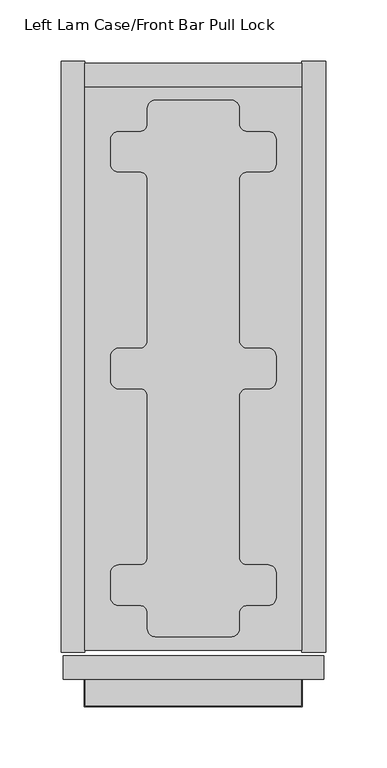
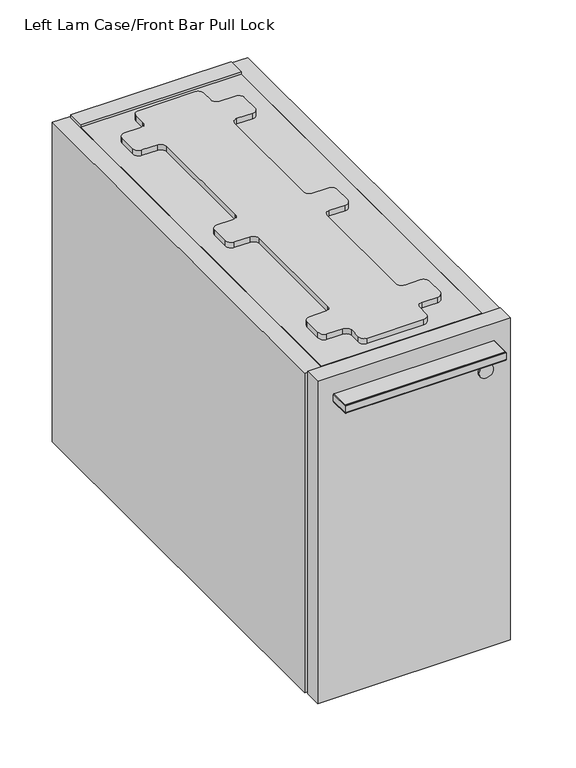
"""IFC4 building model written with IfcOpenShell, lengths in millimetres: furniture geometry, Left Lam Case/Front Bar Pull Lock."""

from ifc_helpers import new_model, si_unit, point, frame, frame_2d, origin, place, context, project, spatial, polyline, circle_curve, ellipse_curve, trimmed, segment, composite_curve, outline, extrude, source, transform, mapped, element, save
from ifc_brep_helpers import plane_surface, cylinder_surface, revolved_surface, advanced_brep


def left_lam_case_front_bar_pull_lock_7722d622(model_context):
    return source(origin(), model_context, "Body", "SolidModel", [
        advanced_brep(
        [(196.1316162, -581.1520271, 637.437981), (196.1316162, -602.6150339, 637.437981), (19.7683778, -602.6150339, 637.437981), (19.7683778, -581.1520271, 637.437981), (49.4637762, -581.1520271, 637.437981), (49.4569548, -597.06699, 637.437981), (166.4396285, -597.06699, 637.437981), (166.4362178, -581.1520271, 637.437981), (19.7683778, -581.1520271, 646.962981), (19.7683778, -602.6150339, 646.962981), (196.1316162, -602.6150339, 646.962981), (196.1316162, -581.1520271, 646.962981), (165.6442639, -581.1520271, 638.1487745), (159.3341925, -581.1520271, 643.7879532), (56.5658015, -581.1520271, 643.7879532), (50.2557301, -581.1520271, 638.1487745), (159.3341925, -597.06699, 643.7879532), (165.6442639, -597.06699, 638.1487745), (50.2557301, -597.06699, 638.1487745), (56.5658015, -597.06699, 643.7879532)],
        [
            (0, 1),
            (1, 2),
            (2, 3),
            (3, 4),
            (4, 5),
            (5, 6),
            (6, 7),
            (7, 0),
            (8, 9),
            (9, 10),
            (10, 11),
            (11, 8),
            (11, 0),
            (7, 12, circle_curve(frame((166.4396285, -581.1520271, 638.2383687), z_axis=(0.0, 1.0, 0.0), x_axis=(0.0, 0.0, -1.0)), 0.8003949)),
            (12, 13, circle_curve(frame((159.3341925, -581.1520271, 637.4379738), z_axis=(0.0, -1.0, 0.0), x_axis=(0.0, 0.0, -1.0)), 6.3499794)),
            (13, 14),
            (14, 15, circle_curve(frame((56.5658015, -581.1520271, 637.4379738), z_axis=(0.0, -1.0, 0.0), x_axis=(0.0, 0.0, -1.0)), 6.3499794)),
            (15, 4, circle_curve(frame((49.4603655, -581.1520271, 638.2383687), z_axis=(0.0, 1.0, 0.0), x_axis=(0.0, 0.0, -1.0)), 0.8003949)),
            (3, 8),
            (10, 1),
            (9, 2),
            (16, 17, circle_curve(frame((159.3341925, -597.06699, 637.4379738), z_axis=(0.0, 1.0, 0.0), x_axis=(0.0, 0.0, -1.0)), 6.3499794)),
            (17, 6, circle_curve(frame((166.4396285, -597.06699, 638.2383687), z_axis=(0.0, -1.0, 0.0), x_axis=(0.0, 0.0, -1.0)), 0.8003949)),
            (5, 18, circle_curve(frame((49.4603655, -597.06699, 638.2383687), z_axis=(0.0, -1.0, 0.0), x_axis=(0.0, 0.0, -1.0)), 0.8003949)),
            (18, 19, circle_curve(frame((56.5658015, -597.06699, 637.4379738), z_axis=(0.0, 1.0, 0.0), x_axis=(0.0, 0.0, -1.0)), 6.3499794)),
            (19, 16),
            (16, 13),
            (12, 17),
            (15, 18),
            (14, 19),
        ],
        [
            plane_surface(frame((304.4000029, -581.1520271, 637.437981), z_axis=(0.0, 0.0, -1.0), x_axis=(1.0, 0.0, 0.0))),
            plane_surface(frame((304.4000029, -581.1520271, 646.962981), z_axis=(0.0, 0.0, 1.0), x_axis=(-1.0, 0.0, 0.0))),
            plane_surface(frame((19.7683778, -581.1520271, 637.437981), z_axis=(0.0, 1.0, 0.0), x_axis=(0.0, 0.0, 1.0))),
            plane_surface(frame((196.1316162, -581.1520271, 637.437981), z_axis=(1.0, 0.0, 0.0), x_axis=(0.0, 0.0, 1.0))),
            plane_surface(frame((196.1316162, -602.6150339, 637.437981), z_axis=(0.0, -1.0, 0.0), x_axis=(0.0, 0.0, 1.0))),
            plane_surface(frame((19.7683778, -602.6150339, 637.437981), z_axis=(-1.0, 0.0, 0.0), x_axis=(0.0, 0.0, 1.0))),
            plane_surface(frame((107.949997, -597.06699, 642.200481), z_axis=(0.0, 1.0, 0.0), x_axis=(1.0, 0.0, 0.0))),
            revolved_surface(polyline([(159.3341925, -581.1520271, 631.0879944), (159.3341925, -597.06699, 631.0879944)]), (159.3341925, -581.1520271, 637.4379738), (0.0, 1.0, 0.0)),
            cylinder_surface(frame((166.4396285, -581.1520271, 638.2383687), z_axis=(0.0, -1.0, 0.0), x_axis=(0.0, 0.0, -1.0)), 0.8003949),
            cylinder_surface(frame((49.4603655, -581.1520271, 638.2383687), z_axis=(0.0, -1.0, 0.0), x_axis=(0.0, 0.0, -1.0)), 0.8003949),
            revolved_surface(polyline([(56.5658015, -581.1520271, 631.0879944), (56.5658015, -597.06699, 631.0879944)]), (56.5658015, -581.1520271, 637.4379738), (0.0, 1.0, 0.0)),
            plane_surface(frame((56.5658015, -581.1520271, 643.7879532), z_axis=(0.0, 0.0, -1.0), x_axis=(0.0, -1.0, 0.0))),
        ],
        [
            (0, [[1, 2, 3, 4, 5, 6, 7, 8]]),
            (1, [[9, 10, 11, 12]]),
            (2, [[-12, 13, -8, 14, 15, 16, 17, 18, -4, 19]]),
            (3, [[-1, -13, -11, 20]]),
            (4, [[-2, -20, -10, 21]]),
            (5, [[-3, -21, -9, -19]]),
            (6, [[22, 23, -6, 24, 25, 26]]),
            (7, [[-22, 27, -15, 28]]),
            (8, [[-23, -28, -14, -7]]),
            (9, [[-24, -5, -18, 29]]),
            (10, [[-25, -29, -17, 30]]),
            (11, [[-26, -30, -16, -27]]),
        ],
    ),
        advanced_brep(
        [(19.7683778, -581.1520271, 637.4379629), (19.0063967, -581.1520271, 638.1999258), (19.0063967, -581.1520271, 646.1957018), (19.7683778, -581.1520271, 646.9577374), (19.7683778, -602.6150339, 637.4379629), (19.0063967, -603.377015, 638.1999258), (19.0063967, -603.377015, 646.1957018), (19.7683778, -602.6150339, 646.9577374), (196.1316162, -602.6150339, 637.4379629), (196.8935973, -603.377015, 638.1999258), (196.8935973, -603.377015, 646.1957018), (196.1316162, -602.6150339, 646.9577374), (196.1316162, -581.1520271, 637.4379629), (196.1316162, -581.1520271, 646.9577374), (196.8935973, -581.1520271, 646.1957018), (196.8935973, -581.1520271, 638.1999258)],
        [
            (0, 1, circle_curve(frame((19.7683596, -581.1520271, 638.1999258), z_axis=(0.0, 1.0, 0.0), x_axis=(1.0, 0.0, 0.0)), 0.7619629)),
            (1, 2),
            (2, 3, circle_curve(frame((19.7684323, -581.1520271, 646.1957018), z_axis=(0.0, 1.0, 0.0), x_axis=(1.0, 0.0, 0.0)), 0.7620356)),
            (3, 0),
            (0, 4),
            (4, 5, ellipse_curve(frame((19.7683596, -602.6150521, 638.1999258), z_axis=(-0.7071067811865492, 0.7071067811865458, 0.0), x_axis=(0.7071067811865457, 0.7071067811865492, 0.0)), 1.0775783, 0.7619629)),
            (5, 1),
            (5, 6),
            (6, 2),
            (6, 7, ellipse_curve(frame((19.7684323, -602.6149794, 646.1957018), z_axis=(-0.7071067811865492, 0.7071067811865458, 0.0), x_axis=(0.7071067811865457, 0.7071067811865492, 0.0)), 1.0776811, 0.7620356)),
            (7, 3),
            (7, 4),
            (4, 8),
            (8, 9, ellipse_curve(frame((196.1316343, -602.6150521, 638.1999258), z_axis=(-0.7071067811865458, -0.7071067811865492, 0.0), x_axis=(-0.7071067811865492, 0.7071067811865457, 0.0)), 1.0775783, 0.7619629)),
            (9, 5),
            (9, 10),
            (10, 6),
            (10, 11, ellipse_curve(frame((196.1315617, -602.6149794, 646.1957018), z_axis=(-0.7071067811865458, -0.7071067811865492, 0.0), x_axis=(-0.7071067811865492, 0.7071067811865457, 0.0)), 1.0776811, 0.7620356)),
            (11, 7),
            (11, 8),
            (12, 13),
            (13, 14, circle_curve(frame((196.1315617, -581.1520271, 646.1957018), z_axis=(0.0, 1.0, 0.0), x_axis=(-1.0, 0.0, 0.0)), 0.7620356)),
            (14, 15),
            (15, 12, circle_curve(frame((196.1316343, -581.1520271, 638.1999258), z_axis=(0.0, 1.0, 0.0), x_axis=(-1.0, 0.0, 0.0)), 0.7619629)),
            (8, 12),
            (15, 9),
            (14, 10),
            (13, 11),
        ],
        [
            plane_surface(frame((19.3039998, -581.1520271, 642.200481), z_axis=(0.0, 1.0, 0.0), x_axis=(0.0, 0.0, 1.0))),
            cylinder_surface(frame((19.7683596, -581.1520271, 638.1999258), z_axis=(0.0, 1.0, 0.0), x_axis=(1.0, 0.0, 0.0)), 0.7619629),
            plane_surface(frame((19.0063967, -581.1520271, 638.1999258), z_axis=(-1.0, 0.0, 0.0), x_axis=(0.0, -1.0, 0.0))),
            cylinder_surface(frame((19.7684323, -581.1520271, 646.1957018), z_axis=(0.0, 1.0, 0.0), x_axis=(1.0, 0.0, 0.0)), 0.7620356),
            plane_surface(frame((19.7683778, -581.1520271, 646.9577374), z_axis=(1.0, 0.0, 0.0), x_axis=(0.0, -1.0, 0.0))),
            cylinder_surface(frame((19.3039998, -602.6150521, 638.1999258), z_axis=(-1.0, 0.0, 0.0), x_axis=(0.0, 1.0, 0.0)), 0.7619629),
            plane_surface(frame((19.0063967, -603.377015, 638.1999258), z_axis=(0.0, -1.0, 0.0), x_axis=(1.0, 0.0, 0.0))),
            cylinder_surface(frame((19.3039998, -602.6149794, 646.1957018), z_axis=(-1.0, 0.0, 0.0), x_axis=(0.0, 1.0, 0.0)), 0.7620356),
            plane_surface(frame((19.7683778, -602.6150339, 646.9577374), z_axis=(0.0, 1.0, 0.0), x_axis=(1.0, 0.0, 0.0))),
            plane_surface(frame((196.5959942, -581.1520271, 642.200481), z_axis=(0.0, 1.0, 0.0), x_axis=(0.0, 0.0, 1.0))),
            cylinder_surface(frame((196.1316343, -603.0794119, 638.1999258), z_axis=(0.0, -1.0, 0.0), x_axis=(-1.0, 0.0, 0.0)), 0.7619629),
            plane_surface(frame((196.8935973, -603.377015, 638.1999258), z_axis=(1.0, 0.0, 0.0), x_axis=(0.0, 1.0, 0.0))),
            cylinder_surface(frame((196.1315617, -603.0794119, 646.1957018), z_axis=(0.0, -1.0, 0.0), x_axis=(-1.0, 0.0, 0.0)), 0.7620356),
            plane_surface(frame((196.1316162, -602.6150339, 646.9577374), z_axis=(-1.0, 0.0, 0.0), x_axis=(0.0, 1.0, 0.0))),
        ],
        [
            (0, [[1, 2, 3, 4]]),
            (1, [[-1, 5, 6, 7]]),
            (2, [[-2, -7, 8, 9]]),
            (3, [[-3, -9, 10, 11]]),
            (4, [[-4, -11, 12, -5]]),
            (5, [[-6, 13, 14, 15]]),
            (6, [[-8, -15, 16, 17]]),
            (7, [[-10, -17, 18, 19]]),
            (8, [[-12, -19, 20, -13]]),
            (9, [[21, 22, 23, 24]]),
            (10, [[-14, 25, -24, 26]]),
            (11, [[-16, -26, -23, 27]]),
            (12, [[-18, -27, -22, 28]]),
            (13, [[-20, -28, -21, -25]]),
        ],
    ),
        extrude(outline(composite_curve([segment(trimmed(circle_curve(frame_2d((615.8130852, 186.8101816)), 8.0010015), [point((615.8130852, 178.8091802))], [point((615.8130852, 194.8111831))], False, "CARTESIAN"), True, "CONTINUOUS"), segment(trimmed(circle_curve(frame_2d((615.8130852, 186.8101816)), 8.0010015), [point((615.8130852, 194.8111831))], [point((615.8130852, 178.8091802))], False, "CARTESIAN"), True, "CONTINUOUS")], self_intersect=False)), frame((0.0, -582.7395029, 0.0), z_axis=(0.0, 1.0, 0.0), x_axis=(0.0, 0.0, 1.0)), (0.0, 0.0, 1.0), 1.5874758),
        extrude(outline(composite_curve([segment(polyline([(76.7999952, -108.1170017), (139.0999988, -108.1170017)]), True, "CONTINUOUS"), segment(trimmed(circle_curve(frame_2d((139.0999988, -114.4669956)), 6.3499939), [point((139.0999988, -108.1170017))], [point((145.4499927, -114.4669956))], False, "CARTESIAN"), True, "CONTINUOUS"), segment(polyline([(145.4499927, -114.4669956), (145.4499927, -127.2670047)]), True, "CONTINUOUS"), segment(trimmed(circle_curve(frame_2d((151.7999957, -127.2670047)), 6.350003), [point((145.4499927, -127.2670047))], [point((151.7999957, -133.6170077))], True, "CARTESIAN"), True, "CONTINUOUS"), segment(polyline([(151.7999957, -133.6170077), (169.0999981, -133.6170077)]), True, "CONTINUOUS"), segment(trimmed(circle_curve(frame_2d((169.0999981, -139.9670016)), 6.3499939), [point((169.0999981, -133.6170077))], [point((175.449992, -139.9670016))], False, "CARTESIAN"), True, "CONTINUOUS"), segment(polyline([(175.449992, -139.9670016), (175.449992, -160.2670116)]), True, "CONTINUOUS"), segment(trimmed(circle_curve(frame_2d((169.0999936, -160.2670116)), 6.3499985), [point((175.449992, -160.2670116))], [point((169.0999936, -166.6170101))], False, "CARTESIAN"), True, "CONTINUOUS"), segment(polyline([(169.0999936, -166.6170101), (151.7999957, -166.6170101)]), True, "CONTINUOUS"), segment(trimmed(circle_curve(frame_2d((151.7999957, -172.9670131)), 6.350003), [point((151.7999957, -166.6170101))], [point((145.4499927, -172.9670131))], True, "CARTESIAN"), True, "CONTINUOUS"), segment(polyline([(145.4499927, -172.9670131), (145.4499927, -304.2670111)]), True, "CONTINUOUS"), segment(trimmed(circle_curve(frame_2d((151.7999957, -304.2670111)), 6.350003), [point((145.4499927, -304.2670111))], [point((151.7999957, -310.6170141))], True, "CARTESIAN"), True, "CONTINUOUS"), segment(polyline([(151.7999957, -310.6170141), (169.1000163, -310.6170141)]), True, "CONTINUOUS"), segment(trimmed(circle_curve(frame_2d((169.1000163, -316.9669899)), 6.3499758), [point((169.1000163, -310.6170141))], [point((175.449992, -316.9669899))], False, "CARTESIAN"), True, "CONTINUOUS"), segment(polyline([(175.449992, -316.9669899), (175.449992, -337.2670044)]), True, "CONTINUOUS"), segment(trimmed(circle_curve(frame_2d((169.1000163, -337.2670044)), 6.3499758), [point((175.449992, -337.2670044))], [point((169.1000163, -343.6169802))], False, "CARTESIAN"), True, "CONTINUOUS"), segment(polyline([(169.1000163, -343.6169802), (151.7999957, -343.6169802)]), True, "CONTINUOUS"), segment(trimmed(circle_curve(frame_2d((151.7999957, -349.9669832)), 6.350003), [point((151.7999957, -343.6169802))], [point((145.4499927, -349.9669832))], True, "CARTESIAN"), True, "CONTINUOUS"), segment(polyline([(145.4499927, -349.9669832), (145.4499927, -481.2669812)]), True, "CONTINUOUS"), segment(trimmed(circle_curve(frame_2d((151.7999957, -481.2669812)), 6.350003), [point((145.4499927, -481.2669812))], [point((151.7999957, -487.6169842))], True, "CARTESIAN"), True, "CONTINUOUS"), segment(polyline([(151.7999957, -487.6169842), (169.0999936, -487.6169842)]), True, "CONTINUOUS"), segment(trimmed(circle_curve(frame_2d((169.0999936, -493.9669827)), 6.3499985), [point((169.0999936, -487.6169842))], [point((175.449992, -493.9669827))], False, "CARTESIAN"), True, "CONTINUOUS"), segment(polyline([(175.449992, -493.9669827), (175.449992, -514.2669927)]), True, "CONTINUOUS"), segment(trimmed(circle_curve(frame_2d((169.0999981, -514.2669927)), 6.3499939), [point((175.449992, -514.2669927))], [point((169.0999981, -520.6169867))], False, "CARTESIAN"), True, "CONTINUOUS"), segment(polyline([(169.0999981, -520.6169867), (151.7999957, -520.6169867)]), True, "CONTINUOUS"), segment(trimmed(circle_curve(frame_2d((151.7999957, -526.9669897)), 6.350003), [point((151.7999957, -520.6169867))], [point((145.4499927, -526.9669897))], True, "CARTESIAN"), True, "CONTINUOUS"), segment(polyline([(145.4499927, -526.9669897), (145.4499927, -539.7669987)]), True, "CONTINUOUS"), segment(trimmed(circle_curve(frame_2d((139.0999988, -539.7669987)), 6.3499939), [point((145.4499927, -539.7669987))], [point((139.0999988, -546.1169927))], False, "CARTESIAN"), True, "CONTINUOUS"), segment(polyline([(139.0999988, -546.1169927), (76.7999952, -546.1169927)]), True, "CONTINUOUS"), segment(trimmed(circle_curve(frame_2d((76.7999952, -539.7669987)), 6.3499939), [point((76.7999952, -546.1169927))], [point((70.4500012, -539.7669987))], False, "CARTESIAN"), True, "CONTINUOUS"), segment(polyline([(70.4500012, -539.7669987), (70.4500012, -526.9669897)]), True, "CONTINUOUS"), segment(trimmed(circle_curve(frame_2d((64.0999982, -526.9669897)), 6.350003), [point((70.4500012, -526.9669897))], [point((64.0999982, -520.6169867))], True, "CARTESIAN"), True, "CONTINUOUS"), segment(polyline([(64.0999982, -520.6169867), (46.7999959, -520.6169867)]), True, "CONTINUOUS"), segment(trimmed(circle_curve(frame_2d((46.7999959, -514.2669927)), 6.3499939), [point((46.7999959, -520.6169867))], [point((40.4500019, -514.2669927))], False, "CARTESIAN"), True, "CONTINUOUS"), segment(polyline([(40.4500019, -514.2669927), (40.4500019, -493.9669827)]), True, "CONTINUOUS"), segment(trimmed(circle_curve(frame_2d((46.8000004, -493.9669827)), 6.3499985), [point((40.4500019, -493.9669827))], [point((46.8000004, -487.6169842))], False, "CARTESIAN"), True, "CONTINUOUS"), segment(polyline([(46.8000004, -487.6169842), (64.0999982, -487.6169842)]), True, "CONTINUOUS"), segment(trimmed(circle_curve(frame_2d((64.0999982, -481.2669812)), 6.350003), [point((64.0999982, -487.6169842))], [point((70.4500012, -481.2669812))], True, "CARTESIAN"), True, "CONTINUOUS"), segment(polyline([(70.4500012, -481.2669812), (70.4500012, -349.9669832)]), True, "CONTINUOUS"), segment(trimmed(circle_curve(frame_2d((64.0999982, -349.9669832)), 6.350003), [point((70.4500012, -349.9669832))], [point((64.0999982, -343.6169802))], True, "CARTESIAN"), True, "CONTINUOUS"), segment(polyline([(64.0999982, -343.6169802), (46.7999777, -343.6169802)]), True, "CONTINUOUS"), segment(trimmed(circle_curve(frame_2d((46.7999777, -337.2670044)), 6.3499758), [point((46.7999777, -343.6169802))], [point((40.4500019, -337.2670044))], False, "CARTESIAN"), True, "CONTINUOUS"), segment(polyline([(40.4500019, -337.2670044), (40.4500019, -316.9669899)]), True, "CONTINUOUS"), segment(trimmed(circle_curve(frame_2d((46.7999777, -316.9669899)), 6.3499758), [point((40.4500019, -316.9669899))], [point((46.7999777, -310.6170141))], False, "CARTESIAN"), True, "CONTINUOUS"), segment(polyline([(46.7999777, -310.6170141), (64.0999982, -310.6170141)]), True, "CONTINUOUS"), segment(trimmed(circle_curve(frame_2d((64.0999982, -304.2670111)), 6.350003), [point((64.0999982, -310.6170141))], [point((70.4500012, -304.2670111))], True, "CARTESIAN"), True, "CONTINUOUS"), segment(polyline([(70.4500012, -304.2670111), (70.4500012, -172.9670131)]), True, "CONTINUOUS"), segment(trimmed(circle_curve(frame_2d((64.0999982, -172.9670131)), 6.350003), [point((70.4500012, -172.9670131))], [point((64.0999982, -166.6170101))], True, "CARTESIAN"), True, "CONTINUOUS"), segment(polyline([(64.0999982, -166.6170101), (46.8000004, -166.6170101)]), True, "CONTINUOUS"), segment(trimmed(circle_curve(frame_2d((46.8000004, -160.2670116)), 6.3499985), [point((46.8000004, -166.6170101))], [point((40.4500019, -160.2670116))], False, "CARTESIAN"), True, "CONTINUOUS"), segment(polyline([(40.4500019, -160.2670116), (40.4500019, -139.9670016)]), True, "CONTINUOUS"), segment(trimmed(circle_curve(frame_2d((46.7999959, -139.9670016)), 6.3499939), [point((40.4500019, -139.9670016))], [point((46.7999959, -133.6170077))], False, "CARTESIAN"), True, "CONTINUOUS"), segment(polyline([(46.7999959, -133.6170077), (64.0999982, -133.6170077)]), True, "CONTINUOUS"), segment(trimmed(circle_curve(frame_2d((64.0999982, -127.2670047)), 6.350003), [point((64.0999982, -133.6170077))], [point((70.4500012, -127.2670047))], True, "CARTESIAN"), True, "CONTINUOUS"), segment(polyline([(70.4500012, -127.2670047), (70.4500012, -114.4669956)]), True, "CONTINUOUS"), segment(trimmed(circle_curve(frame_2d((76.7999952, -114.4669956)), 6.3499939), [point((70.4500012, -114.4669956))], [point((76.7999952, -108.1170017))], False, "CARTESIAN"), True, "CONTINUOUS")], self_intersect=False)), frame((0.0, 0.0, 664.4129333), z_axis=(0.0, 0.0, 1.0), x_axis=(1.0, 0.0, 0.0)), (0.0, 0.0, 1.0), 6.3500484),
        extrude(outline(polyline([(196.5959942, -557.2409866), (19.3039998, -557.2409866), (19.3039998, -96.9930077), (196.5959942, -96.9930077), (196.5959942, -557.2409866)])), frame((0.0, 0.0, 645.1089518), z_axis=(0.0, 0.0, 1.0), x_axis=(1.0, 0.0, 0.0)), (0.0, 0.0, 1.0), 19.3039816),
        extrude(outline(polyline([(196.5959942, -557.2409866), (19.3039998, -557.2409866), (19.3039998, -96.9930077), (196.5959942, -96.9930077), (196.5959942, -557.2409866)])), frame((0.0, 0.0, 291.2879432), z_axis=(0.0, 0.0, 1.0), x_axis=(1.0, 0.0, 0.0)), (0.0, 0.0, 1.0), 19.3039998),
        extrude(outline(polyline([(196.5959942, -77.6890261), (196.5959942, -96.9930077), (19.3039998, -96.9930077), (19.3039998, -77.6890261), (196.5959942, -77.6890261)])), frame((0.0, 0.0, 291.2879432), z_axis=(0.0, 0.0, 1.0), x_axis=(1.0, 0.0, 0.0)), (0.0, 0.0, 1.0), 376.3000144),
        extrude(outline(polyline([(196.5959942, -558.7650215), (196.5959942, -76.1649912), (215.8999939, -76.1649912), (215.8999939, -558.7650215), (196.5959942, -558.7650215)])), frame((0.0, 0.0, 291.2879432), z_axis=(0.0, 0.0, 1.0), x_axis=(1.0, 0.0, 0.0)), (0.0, 0.0, 1.0), 373.1249901),
        extrude(outline(polyline([(19.3039998, -558.7650215), (0.0, -558.7650215), (0.0, -76.1649912), (19.3039998, -76.1649912), (19.3039998, -558.7650215)])), frame((0.0, 0.0, 291.2879432), z_axis=(0.0, 0.0, 1.0), x_axis=(1.0, 0.0, 0.0)), (0.0, 0.0, 1.0), 373.1249901),
        extrude(outline(polyline([(214.325194, -561.8480455), (214.325194, -581.1520271), (1.5748, -581.1520271), (1.5748, -561.8480455), (214.325194, -561.8480455)])), frame((0.0, 0.0, 291.2879432), z_axis=(0.0, 0.0, 1.0), x_axis=(1.0, 0.0, 0.0)), (0.0, 0.0, 1.0), 376.3000144),
    ])


if __name__ == "__main__":
    model = new_model("IFC4")
    model_context = context("Model", 3, world=origin())
    ifc_project = project(units=[si_unit("LENGTHUNIT", "METRE", prefix="MILLI")], contexts=[model_context])
    site = spatial("IfcSite", under=ifc_project)
    building = spatial("IfcBuilding", under=site)
    placement = place(None, origin())
    left_lam_case_front_bar_pull_lock_shape = left_lam_case_front_bar_pull_lock_7722d622(model_context)
    element("IfcFurniture", 1, ObjectType="Left Lam Case/Front Bar Pull Lock", at=placement, inside=building, context=model_context, shape_type="MappedRepresentation", body=[
        mapped(left_lam_case_front_bar_pull_lock_shape, transform((0.0, 0.0, 0.0), x_axis=(1.0, 0.0, 0.0), y_axis=(0.0, 1.0, 0.0), z_axis=(0.0, 0.0, 1.0))),
    ])
    save(model, "model.ifc")
